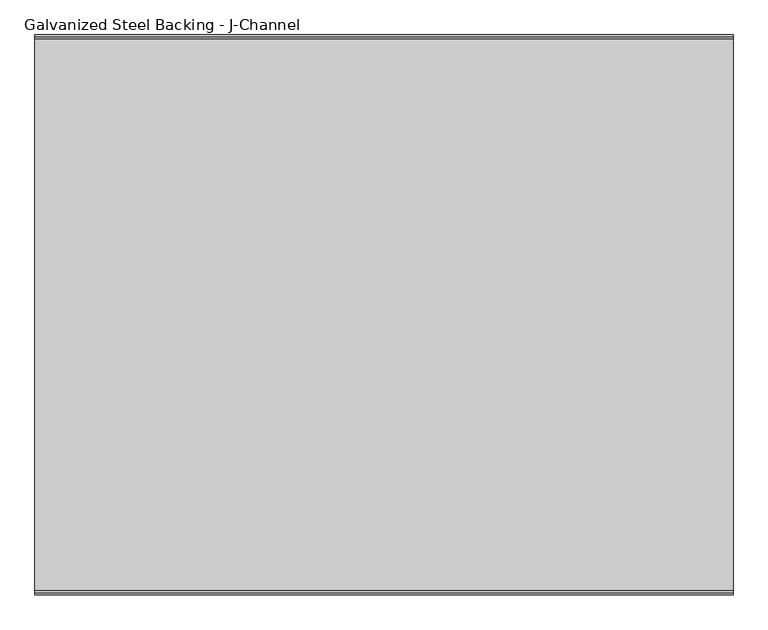
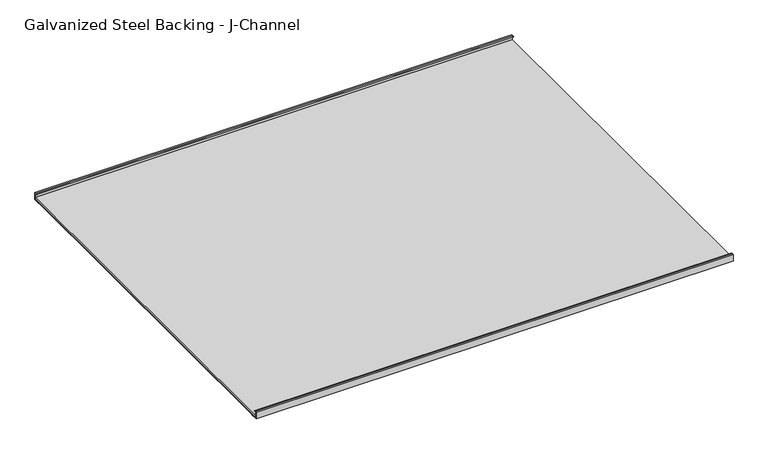
"""IFC4 building model written with IfcOpenShell, lengths in millimetres: proxy geometry, Galvanized Steel Backing - J-Channel."""

from ifc_helpers import new_model, si_unit, frame, origin, place, context, project, spatial, polyline, outline, extrude, source, transform, mapped, element, save


def galvanized_steel_backing_j_channel_49019230(model_context):
    return source(origin(), model_context, "Body", "SweptSolid", [
        extrude(outline(polyline([(589.43875, 0.0), (589.43875, 1.5875), (609.6, 1.5875), (609.6, 21.43125), (602.9172045, 21.43125), (602.9172045, 22.4790183), (606.8142014, 23.0140266), (611.66375, 23.0140266), (611.66375, 0.0), (589.43875, 0.0)])), frame((-762.0, 0.0, 0.0), z_axis=(1.0, 0.0, 0.0), x_axis=(0.0, 1.0, 0.0)), (0.0, 0.0, 1.0), 1524.0),
        extrude(outline(polyline([(-589.43875, 0.0), (-611.66375, 0.0), (-611.66375, 23.0140266), (-606.8142014, 23.0140266), (-602.9172045, 22.4790183), (-602.9172045, 21.43125), (-609.6, 21.43125), (-609.6, 1.5875), (-589.43875, 1.5875), (-589.43875, 0.0)])), frame((-762.0, 0.0, 0.0), z_axis=(1.0, 0.0, 0.0), x_axis=(0.0, 1.0, 0.0)), (0.0, 0.0, 1.0), 1524.0),
        extrude(outline(polyline([(-762.0, 609.6), (762.0, 609.6), (762.0, -609.6), (-762.0, -609.6), (-762.0, 609.6)])), frame((0.0, 0.0, 1.5875), z_axis=(0.0, 0.0, 1.0), x_axis=(1.0, 0.0, 0.0)), (0.0, 0.0, 1.0), 0.79375),
        extrude(outline(polyline([(762.0, -609.6), (-762.0, -609.6), (-762.0, 609.6), (762.0, 609.6), (762.0, -609.6)])), frame((0.0, 0.0, 2.38125), z_axis=(0.0, 0.0, 1.0), x_axis=(1.0, 0.0, 0.0)), (0.0, 0.0, 1.0), 6.35),
    ])


if __name__ == "__main__":
    model = new_model("IFC4")
    model_context = context("Model", 3, world=origin())
    ifc_project = project(units=[si_unit("LENGTHUNIT", "METRE", prefix="MILLI")], contexts=[model_context])
    site = spatial("IfcSite", under=ifc_project)
    building = spatial("IfcBuilding", under=site)
    placement = place(None, origin())
    galvanized_steel_backing_j_channel_shape = galvanized_steel_backing_j_channel_49019230(model_context)
    element("IfcBuildingElementProxy", 1, Name="Galvanized Steel Backing - J-Channel", ObjectType="Galvanized Steel Backing - J-Channel", at=placement, inside=building, context=model_context, shape_type="MappedRepresentation", body=[
        mapped(galvanized_steel_backing_j_channel_shape, transform((0.0, 0.0, 0.0), x_axis=(1.0, 0.0, 0.0), y_axis=(0.0, 1.0, 0.0), z_axis=(0.0, 0.0, 1.0))),
    ])
    save(model, "model.ifc")
